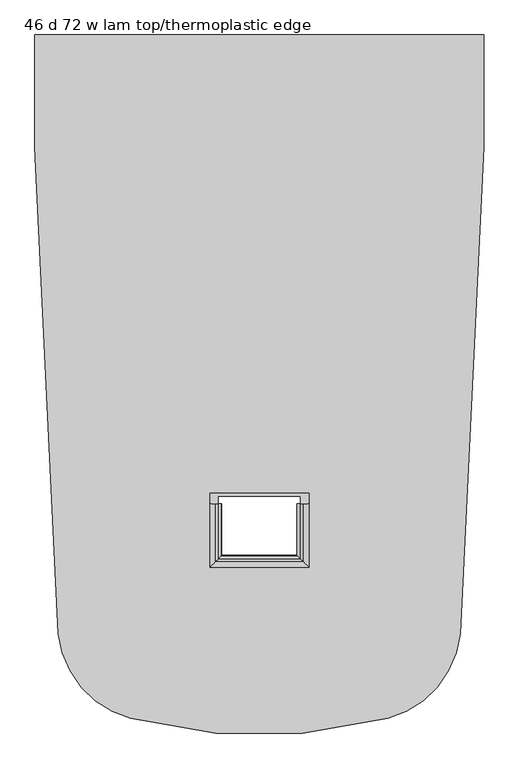
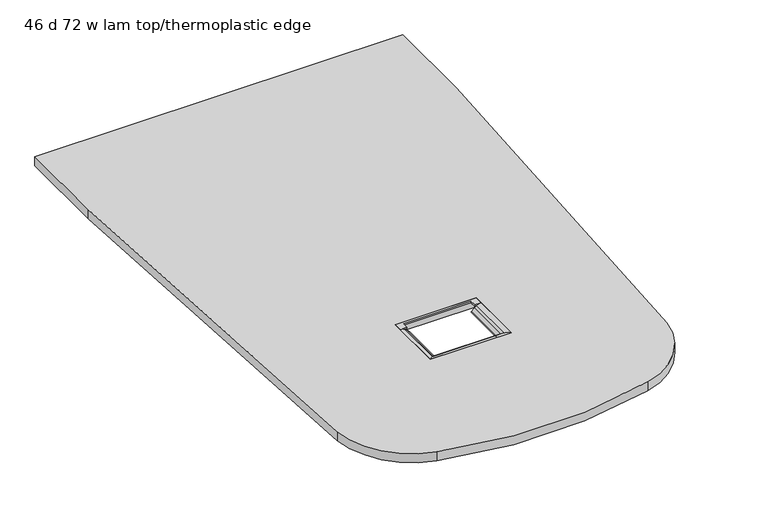
"""IFC4 building model written with IfcOpenShell, lengths in millimetres: furniture geometry, 46 d 72 w lam top/thermoplastic edge."""

from ifc_helpers import new_model, si_unit, point, frame, frame_2d, origin, place, context, project, spatial, polyline, circle_curve, ellipse_curve, trimmed, segment, composite_curve, outline, extrude, source, transform, mapped, element, save
from ifc_brep_helpers import plane_surface, cylinder_surface, advanced_brep


def furniture_46_d_72_w_lam_top_thermoplastic_edge_391c64cd(model_context):
    return source(origin(), model_context, "Body", "SolidModel", [
        extrude(outline(composite_curve([segment(polyline([(6.35, -318.9525749), (6.35, -25.4000008), (1177.8996382, -25.4000008), (1177.8996382, -318.9525749)]), True, "CONTINUOUS"), segment(trimmed(circle_curve(frame_2d((-11930.9066961, -318.9525749)), 13108.8063343), [point((1177.8996382, -318.9525749))], [point((1116.4657181, -1586.5789369))], False, "CARTESIAN"), True, "CONTINUOUS"), segment(trimmed(circle_curve(frame_2d((863.6560794, -1562.0170441)), 254.0), [point((1116.4657181, -1586.5789369))], [point((928.3065542, -1807.6515615))], False, "CARTESIAN"), True, "CONTINUOUS"), segment(trimmed(circle_curve(frame_2d((592.1248009, -530.3547899)), 1320.7971888), [point((928.3065542, -1807.6515615))], [point((255.9430938, -1807.6515736))], False, "CARTESIAN"), True, "CONTINUOUS"), segment(trimmed(circle_curve(frame_2d((320.5935597, -1562.0170539)), 254.0), [point((255.9430938, -1807.6515736))], [point((67.783921, -1586.5789469))], False, "CARTESIAN"), True, "CONTINUOUS"), segment(trimmed(circle_curve(frame_2d((13115.1563343, -318.9525749)), 13108.8063343), [point((67.783921, -1586.5789469))], [point((6.35, -318.9525749))], False, "CARTESIAN"), True, "CONTINUOUS")], self_intersect=False), holes=[polyline([(721.3346285, -1220.6224422), (463.0166023, -1220.6224422), (463.0166023, -1413.9164577), (721.3346285, -1413.9164577), (721.3346285, -1220.6224422)])]), frame((0.0, 0.0, 711.2002029), z_axis=(0.0, 0.0, 1.0), x_axis=(1.0, 0.0, 0.0)), (0.0, 0.0, 1.0), 29.8704151),
        advanced_brep(
        [(477.0701413, -1248.263633, 736.2738904), (484.0578689, -1248.263633, 731.5852958), (493.3769874, -1248.263633, 722.8672046), (491.4667915, -1248.263633, 717.1239722), (486.2359922, -1248.263633, 715.6705696), (471.2168578, -1248.263633, 715.6705696), (472.3408152, -1248.263633, 736.6052656), (476.5648374, -1248.263633, 736.6052656), (463.0166023, -1248.263633, 741.070618), (463.0166023, -1413.9164577, 741.070618), (477.0701413, -1399.8629188, 736.2738904), (484.0578689, -1392.8751912, 731.5852958), (493.3769874, -1383.5560727, 722.8672046), (491.4667915, -1385.4662686, 717.1239722), (486.2359922, -1390.6970678, 715.6705696), (721.3346285, -1413.9164577, 715.6705696), (463.0166023, -1413.9164577, 715.6705696), (463.0166023, -1220.6224422, 715.6705696), (721.3346285, -1220.6224422, 715.6705696), (698.1152386, -1390.6970678, 715.6705696), (698.1152386, -1248.263633, 715.6705696), (713.134373, -1248.263633, 715.6705696), (713.134373, -1225.6827366, 715.6705696), (471.2168578, -1225.6827366, 715.6705696), (463.0166023, -1220.6224422, 741.070618), (721.3346285, -1413.9164577, 741.070618), (707.2810895, -1399.8629188, 736.2738904), (700.2933619, -1392.8751912, 731.5852958), (690.9742434, -1383.5560727, 722.8672046), (692.8844393, -1385.4662686, 717.1239722), (692.8844393, -1248.263633, 717.1239722), (690.9742434, -1248.263633, 722.8672046), (700.2933619, -1248.263633, 731.5852958), (707.2810895, -1248.263633, 736.2738904), (707.7863935, -1248.263633, 736.6052656), (712.0104156, -1248.263633, 736.6052656), (721.3346285, -1248.263633, 741.070618), (721.3346285, -1220.6224422, 741.070618), (484.2775699, -1248.263633, 741.070618), (484.2775699, -1248.263633, 736.6052656), (700.0736609, -1248.263633, 741.070618), (700.0736609, -1248.263633, 736.6052656), (484.2775699, -1228.2296865, 741.070618), (700.0736609, -1228.2296865, 741.070618), (472.3408152, -1226.1764459, 736.6052656), (712.0104156, -1226.1764459, 736.6052656), (700.0736609, -1228.2296865, 736.6052656), (484.2775699, -1228.2296865, 736.6052656)],
        [
            (0, 1),
            (1, 2, circle_curve(frame((461.8954605, -1248.263633, 698.5551698), z_axis=(0.0, 1.0, 0.0), x_axis=(1.0, 0.0, 0.0)), 39.7763946)),
            (2, 3, circle_curve(frame((490.490402, -1248.263633, 720.638), z_axis=(0.0, 1.0, 0.0), x_axis=(1.0, 0.0, 0.0)), 3.6471534)),
            (3, 4),
            (4, 5),
            (5, 6),
            (6, 7),
            (7, 0, circle_curve(frame((461.1018854, -1248.263633, 712.4753259), z_axis=(0.0, 1.0, 0.0), x_axis=(1.0, 0.0, 0.0)), 28.6593243)),
            (8, 9),
            (9, 10, ellipse_curve(frame((461.1018854, -1415.8311747, 712.4753259), z_axis=(-0.7071067811865475, 0.7071067811865475, 0.0), x_axis=(0.7071067811865474, 0.7071067811865476, 0.0)), 40.5304051, 28.6593243)),
            (10, 0),
            (7, 8, circle_curve(frame((461.1018854, -1248.263633, 712.4753259), z_axis=(0.0, -1.0, 0.0), x_axis=(1.0, 0.0, 0.0)), 28.6593243)),
            (10, 11),
            (11, 1),
            (11, 12, ellipse_curve(frame((461.8954605, -1415.0375996, 698.5551698), z_axis=(-0.7071067811865475, 0.7071067811865475, 0.0), x_axis=(0.7071067811865474, 0.7071067811865476, 0.0)), 56.2523168, 39.7763946)),
            (12, 2),
            (12, 13, ellipse_curve(frame((490.490402, -1386.442658, 720.638), z_axis=(-0.7071067811865475, 0.7071067811865475, 0.0), x_axis=(0.7071067811865474, 0.7071067811865476, 0.0)), 5.1578538, 3.6471534)),
            (13, 3),
            (13, 14),
            (14, 4),
            (15, 16),
            (16, 17),
            (17, 18),
            (18, 15),
            (14, 19),
            (19, 20),
            (20, 21),
            (21, 22),
            (22, 23),
            (23, 5),
            (8, 24),
            (24, 17),
            (16, 9),
            (9, 25),
            (25, 26, ellipse_curve(frame((723.2493454, -1415.8311747, 712.4753259), z_axis=(-0.7071067811865475, -0.7071067811865475, 0.0), x_axis=(-0.7071067811865476, 0.7071067811865474, 0.0)), 40.5304051, 28.6593243)),
            (26, 10),
            (26, 27),
            (27, 11),
            (27, 28, ellipse_curve(frame((722.4557703, -1415.0375996, 698.5551698), z_axis=(-0.7071067811865475, -0.7071067811865475, 0.0), x_axis=(-0.7071067811865476, 0.7071067811865474, 0.0)), 56.2523168, 39.7763946)),
            (28, 12),
            (28, 29, ellipse_curve(frame((693.8608288, -1386.442658, 720.638), z_axis=(-0.7071067811865475, -0.7071067811865475, 0.0), x_axis=(-0.7071067811865476, 0.7071067811865474, 0.0)), 5.1578538, 3.6471534)),
            (29, 13),
            (29, 19),
            (15, 25),
            (20, 30),
            (30, 31, circle_curve(frame((693.8608288, -1248.263633, 720.638), z_axis=(0.0, 1.0, 0.0), x_axis=(-1.0, 0.0, 0.0)), 3.6471534)),
            (31, 32, circle_curve(frame((722.4557703, -1248.263633, 698.5551698), z_axis=(0.0, 1.0, 0.0), x_axis=(-1.0, 0.0, 0.0)), 39.7763946)),
            (32, 33),
            (33, 34, circle_curve(frame((723.2493454, -1248.263633, 712.4753259), z_axis=(0.0, 1.0, 0.0), x_axis=(-1.0, 0.0, 0.0)), 28.6593243)),
            (34, 35),
            (35, 21),
            (25, 36),
            (36, 34, circle_curve(frame((723.2493454, -1248.263633, 712.4753259), z_axis=(0.0, -1.0, 0.0), x_axis=(-1.0, 0.0, 0.0)), 28.6593243)),
            (33, 26),
            (32, 27),
            (31, 28),
            (30, 29),
            (18, 37),
            (37, 36),
            (38, 8),
            (7, 39),
            (39, 38),
            (40, 41),
            (41, 34),
            (36, 40),
            (24, 37),
            (38, 42),
            (42, 43),
            (43, 40),
            (44, 6),
            (23, 44),
            (44, 45),
            (45, 35),
            (41, 46),
            (46, 47),
            (47, 39),
            (47, 42),
            (43, 46),
            (45, 22),
        ],
        [
            plane_surface(frame((463.0166023, -1248.263633, 741.070618), z_axis=(0.0, 1.0, 0.0), x_axis=(0.0, 0.0, 1.0))),
            cylinder_surface(frame((461.1018854, -1248.263633, 712.4753259), z_axis=(0.0, 1.0, 0.0), x_axis=(1.0, 0.0, 0.0)), 28.6593243),
            plane_surface(frame((477.0701413, -1248.263633, 736.2738904), z_axis=(0.5571748915427094, 0.0, 0.8303951711290054), x_axis=(0.0, -1.0, 0.0))),
            cylinder_surface(frame((461.8954605, -1248.263633, 698.5551698), z_axis=(0.0, 1.0, 0.0), x_axis=(1.0, 0.0, 0.0)), 39.7763946),
            cylinder_surface(frame((490.490402, -1248.263633, 720.638), z_axis=(0.0, 1.0, 0.0), x_axis=(1.0, 0.0, 0.0)), 3.6471534),
            plane_surface(frame((491.4667915, -1248.263633, 717.1239722), z_axis=(0.2677127531531875, 0.0, -0.9634987710418423), x_axis=(0.0, -1.0, 0.0))),
            plane_surface(frame((486.2359922, -1248.263633, 715.6705696), z_axis=(0.0, 0.0, -1.0), x_axis=(0.0, -1.0, 0.0))),
            plane_surface(frame((463.0166023, -1248.263633, 715.6705696), z_axis=(-1.0, 0.0, 0.0), x_axis=(0.0, -1.0, 0.0))),
            cylinder_surface(frame((463.0166023, -1415.8311747, 712.4753259), z_axis=(-1.0, 0.0, 0.0), x_axis=(0.0, 1.0, 0.0)), 28.6593243),
            plane_surface(frame((477.0701413, -1399.8629188, 736.2738904), z_axis=(0.0, 0.5571748915427067, 0.8303951711290072), x_axis=(1.0, 0.0, 0.0))),
            cylinder_surface(frame((463.0166023, -1415.0375996, 698.5551698), z_axis=(-1.0, 0.0, 0.0), x_axis=(0.0, 1.0, 0.0)), 39.7763946),
            cylinder_surface(frame((463.0166023, -1386.442658, 720.638), z_axis=(-1.0, 0.0, 0.0), x_axis=(0.0, 1.0, 0.0)), 3.6471534),
            plane_surface(frame((491.4667915, -1385.4662686, 717.1239722), z_axis=(0.0, 0.2677127531531906, -0.9634987710418416), x_axis=(1.0, 0.0, 0.0))),
            plane_surface(frame((463.0166023, -1413.9164577, 715.6705696), z_axis=(0.0, -1.0, 0.0), x_axis=(1.0, 0.0, 0.0))),
            plane_surface(frame((721.3346285, -1248.263633, 741.070618), z_axis=(0.0, 1.0, 0.0), x_axis=(0.0, 0.0, 1.0))),
            cylinder_surface(frame((723.2493454, -1413.9164577, 712.4753259), z_axis=(0.0, -1.0, 0.0), x_axis=(-1.0, 0.0, 0.0)), 28.6593243),
            plane_surface(frame((707.2810895, -1399.8629188, 736.2738904), z_axis=(-0.557174891542704, 0.0, 0.830395171129009), x_axis=(0.0, 1.0, 0.0))),
            cylinder_surface(frame((722.4557703, -1413.9164577, 698.5551698), z_axis=(0.0, -1.0, 0.0), x_axis=(-1.0, 0.0, 0.0)), 39.7763946),
            cylinder_surface(frame((693.8608288, -1413.9164577, 720.638), z_axis=(0.0, -1.0, 0.0), x_axis=(-1.0, 0.0, 0.0)), 3.6471534),
            plane_surface(frame((692.8844393, -1385.4662686, 717.1239722), z_axis=(-0.26771275315319365, 0.0, -0.9634987710418407), x_axis=(0.0, 1.0, 0.0))),
            plane_surface(frame((721.3346285, -1413.9164577, 715.6705696), z_axis=(1.0, 0.0, 0.0), x_axis=(0.0, 1.0, 0.0))),
            plane_surface(frame((463.0166023, -1248.263633, 741.070618), z_axis=(0.0, -1.0, 0.0), x_axis=(0.0, 0.0, 1.0))),
            plane_surface(frame((463.0166023, -1220.6224422, 741.070618), z_axis=(0.0, 1.0, 0.0), x_axis=(0.0, 0.0, 1.0))),
            plane_surface(frame((484.2775699, -1248.263633, 741.070618), z_axis=(0.0, 0.0, 1.0), x_axis=(0.0, 1.0, 0.0))),
            plane_surface(frame((471.2168578, -1248.263633, 715.6705696), z_axis=(0.9985618681925444, 0.0, -0.05361152293878373), x_axis=(0.0, 1.0, 0.0))),
            plane_surface(frame((472.3408152, -1248.263633, 736.6052656), z_axis=(0.0, 0.0, -1.0), x_axis=(0.0, 1.0, 0.0))),
            plane_surface(frame((484.2775699, -1248.263633, 736.6052656), z_axis=(1.0, 0.0, 0.0), x_axis=(0.0, 1.0, 0.0))),
            plane_surface(frame((700.0736609, -1248.263633, 741.070618), z_axis=(-1.0, 0.0, 0.0), x_axis=(0.0, 1.0, 0.0))),
            plane_surface(frame((712.0104156, -1248.263633, 736.6052656), z_axis=(-0.9985618681925444, 0.0, -0.05361152293878373), x_axis=(0.0, 1.0, 0.0))),
            plane_surface(frame((463.0166023, -1225.6827366, 715.6705696), z_axis=(0.0, -0.9997220297886921, -0.02357675030994835), x_axis=(1.0, 0.0, 0.0))),
            plane_surface(frame((463.0166023, -1228.2296865, 736.6052656), z_axis=(0.0, -1.0, 0.0), x_axis=(1.0, 0.0, 0.0))),
        ],
        [
            (0, [[1, 2, 3, 4, 5, 6, 7, 8]]),
            (1, [[9, 10, 11, -8, 12]]),
            (2, [[-1, -11, 13, 14]]),
            (3, [[-2, -14, 15, 16]]),
            (4, [[-3, -16, 17, 18]]),
            (5, [[-4, -18, 19, 20]]),
            (6, [[21, 22, 23, 24], [-20, 25, 26, 27, 28, 29, 30, -5]]),
            (7, [[-9, 31, 32, -22, 33]]),
            (8, [[-10, 34, 35, 36]]),
            (9, [[-13, -36, 37, 38]]),
            (10, [[-15, -38, 39, 40]]),
            (11, [[-17, -40, 41, 42]]),
            (12, [[-19, -42, 43, -25]]),
            (13, [[-21, 44, -34, -33]]),
            (14, [[45, 46, 47, 48, 49, 50, 51, -27]]),
            (15, [[-35, 52, 53, -49, 54]]),
            (16, [[-37, -54, -48, 55]]),
            (17, [[-39, -55, -47, 56]]),
            (18, [[-41, -56, -46, 57]]),
            (19, [[-26, -43, -57, -45]]),
            (20, [[-44, -24, 58, 59, -52]]),
            (21, [[60, -12, 61, 62]]),
            (21, [[63, 64, -53, 65]]),
            (22, [[-23, -32, 66, -58]]),
            (23, [[-60, 67, 68, 69, -65, -59, -66, -31]]),
            (24, [[70, -6, -30, 71]]),
            (25, [[-61, -7, -70, 72, 73, -50, -64, 74, 75, 76]]),
            (26, [[-62, -76, 77, -67]]),
            (27, [[-63, -69, 78, -74]]),
            (28, [[-51, -73, 79, -28]]),
            (29, [[-29, -79, -72, -71]]),
            (30, [[-68, -77, -75, -78]]),
        ],
    ),
    ])


if __name__ == "__main__":
    model = new_model("IFC4")
    model_context = context("Model", 3, world=origin())
    ifc_project = project(units=[si_unit("LENGTHUNIT", "METRE", prefix="MILLI")], contexts=[model_context])
    site = spatial("IfcSite", under=ifc_project)
    building = spatial("IfcBuilding", under=site)
    placement = place(None, origin())
    furniture_46_d_72_w_lam_top_thermoplastic_edge_shape = furniture_46_d_72_w_lam_top_thermoplastic_edge_391c64cd(model_context)
    element("IfcFurniture", 1, ObjectType="46 d 72 w lam top/thermoplastic edge", at=placement, inside=building, context=model_context, shape_type="MappedRepresentation", body=[
        mapped(furniture_46_d_72_w_lam_top_thermoplastic_edge_shape, transform((0.0, 0.0, 0.0), x_axis=(1.0, 0.0, 0.0), y_axis=(0.0, 1.0, 0.0), z_axis=(0.0, 0.0, 1.0))),
    ])
    save(model, "model.ifc")
